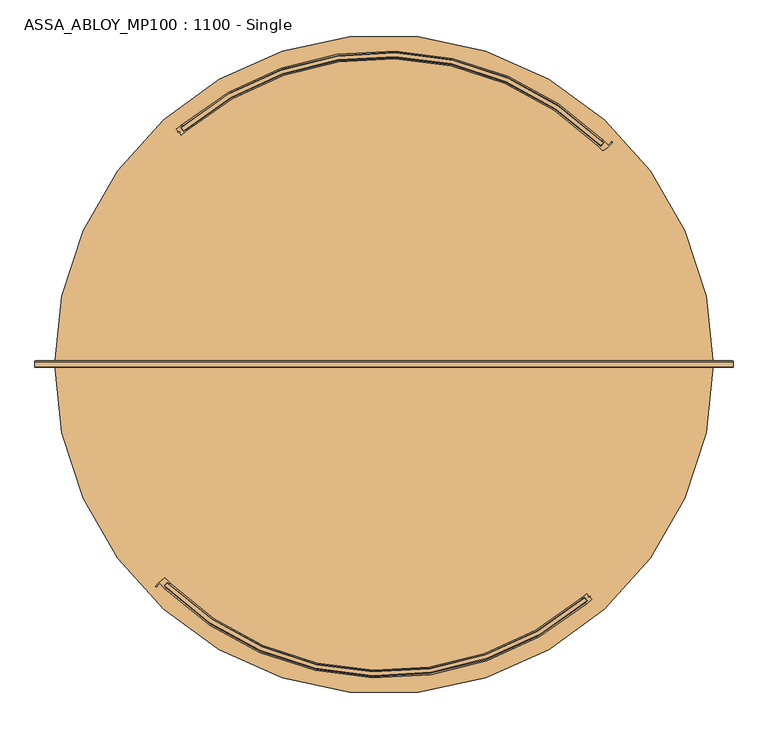
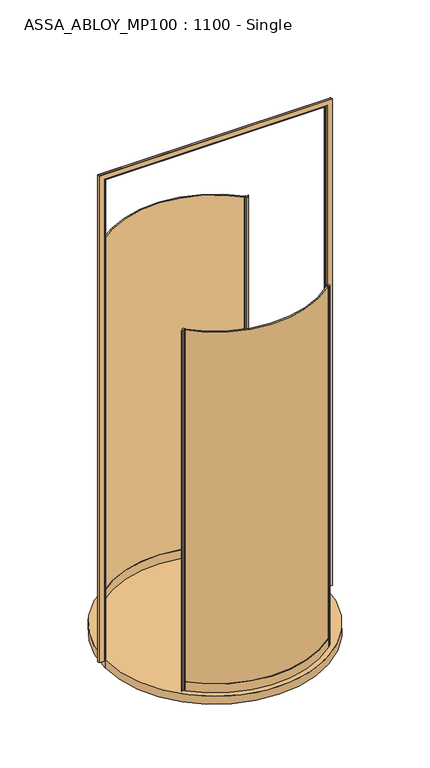
"""IFC4 building model written with IfcOpenShell, lengths in millimetres: door geometry, ASSA_ABLOY_MP100 : 1100 - Single."""

from ifc_helpers import new_model, si_unit, point, frame, frame_2d, origin, origin_with_axes, place, context, project, spatial, polyline, circle_curve, ellipse_curve, trimmed, segment, composite_curve, outline, extrude, source, transform, mapped, element, save
from ifc_brep_helpers import plane_surface, cylinder_surface, revolved_surface, advanced_brep


def assa_abloy_mp100_1100_single_c520676a(model_context):
    return source(origin(), model_context, "Body", "SolidModel", [
        extrude(outline(composite_curve([segment(trimmed(circle_curve(frame_2d((125.0, 0.0)), 811.0), [point((-445.5467938, -576.3656444))], [point((652.7901271, -615.7585417))], True, "CARTESIAN"), True, "CONTINUOUS"), segment(polyline([(652.7901271, -615.7585417), (659.2527059, -623.3899632)]), True, "CONTINUOUS"), segment(trimmed(circle_curve(frame_2d((125.0, 0.0)), 821.0), [point((659.2527059, -623.3899632))], [point((-452.5380783, -583.5158679))], False, "CARTESIAN"), True, "CONTINUOUS"), segment(polyline([(-452.5380783, -583.5158679), (-445.5467938, -576.3656444)]), True, "CONTINUOUS")], self_intersect=False)), origin_with_axes(), (0.0, 0.0, 1.0), 3000.0),
        extrude(outline(composite_curve([segment(polyline([(658.7320011, -603.9587328), (663.1381376, -609.1617774), (661.2303158, -610.7773936), (663.4921786, -613.4483442), (667.9676446, -611.336699), (668.6838658, -612.1824583), (667.3328773, -614.1151911), (671.6597375, -619.2246211)]), True, "CONTINUOUS"), segment(trimmed(circle_curve(frame_2d((125.0, 0.0)), 826.0), [point((671.6597375, -619.2246211))], [point((658.7996152, -630.3443272))], False, "CARTESIAN"), True, "CONTINUOUS"), segment(polyline([(658.7996152, -630.3443272), (656.8608756, -628.054941)]), True, "CONTINUOUS"), segment(trimmed(circle_curve(frame_2d((125.0, 0.0)), 823.0), [point((656.8608756, -628.054941))], [point((662.1835382, -623.5084974))], True, "CARTESIAN"), True, "CONTINUOUS"), segment(polyline([(662.1835382, -623.5084974), (653.1357541, -612.8243021)]), True, "CONTINUOUS"), segment(trimmed(circle_curve(frame_2d((125.0, 0.0)), 809.0), [point((653.1357541, -612.8243021))], [point((647.6665724, -617.4954689))], False, "CARTESIAN"), True, "CONTINUOUS"), segment(polyline([(647.6665724, -617.4954689), (645.874685, -615.0817527)]), True, "CONTINUOUS"), segment(trimmed(circle_curve(frame_2d((125.0, 0.0)), 806.0), [point((645.874685, -615.0817527))], [point((658.7320011, -603.9587328))], True, "CARTESIAN"), True, "CONTINUOUS")], self_intersect=False)), origin_with_axes(), (0.0, 0.0, 1.0), 3000.0),
        advanced_brep(
        [(-445.5480348, -573.5438015, 0.0), (-455.2493679, -583.6397745, 0.0), (-450.2379597, -588.5273597, 0.0), (-452.3165807, -590.6905367, 0.0), (-466.1628236, -576.824374, 0.0), (-473.3277619, -585.5163218, 0.0), (-475.8993118, -584.2003641, 0.0), (-454.0321791, -563.9142679, 0.0), (-450.3501747, -564.4128948, 0.0), (-438.4591077, -576.2693564, 0.0), (-440.5377286, -578.4325335, 0.0), (-445.5480348, -573.5438015, 3000.0), (-440.5377286, -578.4325335, 3000.0), (-438.4591077, -576.2693564, 3000.0), (-450.3501747, -564.4128948, 3000.0), (-454.0321791, -563.9142679, 3000.0), (-475.8993118, -584.2003641, 3000.0), (-473.3415678, -585.5091083, 3000.0), (-466.1628236, -576.824374, 3000.0), (-452.3165807, -590.6905367, 3000.0), (-450.2379597, -588.5273597, 3000.0), (-455.2493679, -583.6397745, 3000.0)],
        [
            (0, 1),
            (1, 2, circle_curve(frame((-123.5480336, -248.5480336, 0.0), z_axis=(0.0, 0.0, 1.0), x_axis=(-0.707106781186553, 0.7071067811865419, 0.0)), 471.5)),
            (2, 3),
            (3, 4, circle_curve(frame((-123.5480336, -248.5480336, 0.0), z_axis=(0.0, 0.0, -1.0), x_axis=(-0.707106781186553, 0.7071067811865419, 0.0)), 474.5)),
            (4, 5, circle_curve(frame((-449.144606, -598.1518865, 0.0), z_axis=(0.0, 0.0, 1.0), x_axis=(-0.707106781186553, 0.7071067811865419, 0.0)), 27.285207)),
            (5, 6, circle_curve(frame((-474.6148555, -584.8438225, 0.0), z_axis=(0.0, 0.0, -1.0), x_axis=(-0.707106781186553, 0.7071067811865419, 0.0)), 1.4366164)),
            (6, 7, circle_curve(frame((-418.451307, -624.1969482, 0.0), z_axis=(0.0, 0.0, -1.0), x_axis=(-0.707106781186553, 0.7071067811865419, 0.0)), 70.0)),
            (7, 8, circle_curve(frame((-452.5072846, -566.4978114, 0.0), z_axis=(0.0, 0.0, -1.0), x_axis=(-0.707106781186553, 0.7071067811865419, 0.0)), 3.0)),
            (8, 9, circle_curve(frame((-123.5480336, -248.5480336, 0.0), z_axis=(0.0, 0.0, 1.0), x_axis=(-0.707106781186553, 0.7071067811865419, 0.0)), 454.5)),
            (9, 10),
            (10, 0, circle_curve(frame((-123.5480336, -248.5480336, 0.0), z_axis=(0.0, 0.0, -1.0), x_axis=(-0.707106781186553, 0.7071067811865419, 0.0)), 457.5)),
            (11, 12, circle_curve(frame((-123.5480336, -248.5480336, 3000.0), z_axis=(0.0, 0.0, 1.0), x_axis=(-0.707106781186553, 0.7071067811865419, 0.0)), 457.5)),
            (12, 13),
            (13, 14, circle_curve(frame((-123.5480336, -248.5480336, 3000.0), z_axis=(0.0, 0.0, -1.0), x_axis=(-0.707106781186553, 0.7071067811865419, 0.0)), 454.5)),
            (14, 15, circle_curve(frame((-452.5072846, -566.4978114, 3000.0), z_axis=(0.0, 0.0, 1.0), x_axis=(-0.707106781186553, 0.7071067811865419, 0.0)), 3.0)),
            (15, 16, circle_curve(frame((-418.451307, -624.1969482, 3000.0), z_axis=(0.0, 0.0, 1.0), x_axis=(-0.707106781186553, 0.7071067811865419, 0.0)), 70.0)),
            (16, 17, circle_curve(frame((-474.6148555, -584.8438225, 3000.0), z_axis=(0.0, 0.0, 1.0), x_axis=(-0.707106781186553, 0.7071067811865419, 0.0)), 1.4366164)),
            (17, 18, circle_curve(frame((-449.144606, -598.1518865, 3000.0), z_axis=(0.0, 0.0, -1.0), x_axis=(-0.707106781186553, 0.7071067811865419, 0.0)), 27.285207)),
            (18, 19, circle_curve(frame((-123.5480336, -248.5480336, 3000.0), z_axis=(0.0, 0.0, 1.0), x_axis=(-0.707106781186553, 0.7071067811865419, 0.0)), 474.5)),
            (19, 20),
            (20, 21, circle_curve(frame((-123.5480336, -248.5480336, 3000.0), z_axis=(0.0, 0.0, -1.0), x_axis=(-0.707106781186553, 0.7071067811865419, 0.0)), 471.5)),
            (21, 11),
            (0, 11),
            (21, 1),
            (20, 2),
            (19, 3),
            (18, 4),
            (8, 14),
            (13, 9),
            (12, 10),
            (17, 5),
            (16, 6),
            (15, 7),
        ],
        [
            plane_surface(frame((-444.9280656, -569.9280656, 0.0), z_axis=(0.0, 0.0, -1.0), x_axis=(-0.707106781186542, -0.7071067811865531, 0.0))),
            plane_surface(frame((-444.9280656, -569.9280656, 3000.0), z_axis=(0.0, 0.0, 1.0), x_axis=(-0.707106781186542, -0.7071067811865531, 0.0))),
            plane_surface(frame((-445.5480348, -573.5438015, 0.0), z_axis=(0.7210590160944299, -0.692873650320845, 0.0), x_axis=(0.0, 0.0, 1.0))),
            revolved_surface(polyline([(-456.94888092945973, 84.85281372945451, 3000.0), (-456.94888092945973, 84.85281372945451, 0.0)]), (-123.5480336, -248.5480336, 0.0), (0.0, 0.0, 1.0)),
            plane_surface(frame((-450.2379597, -588.5273597, 0.0), z_axis=(0.7210590160945624, -0.6928736503207072, 0.0), x_axis=(0.0, 0.0, 1.0))),
            cylinder_surface(frame((-123.5480336, -248.5480336, 0.0), z_axis=(0.0, 0.0, -1.0), x_axis=(-0.707106781186553, 0.7071067811865419, 0.0)), 474.5),
            revolved_surface(polyline([(-444.9280656492883, 72.83199844928328, 3000.0), (-444.9280656492883, 72.83199844928328, 0.0)]), (-123.5480336, -248.5480336, 0.0), (0.0, 0.0, 1.0)),
            plane_surface(frame((-438.4591077, -576.2693564, 0.0), z_axis=(0.7210590160946411, -0.6928736503206254, 0.0), x_axis=(0.0, 0.0, 1.0))),
            cylinder_surface(frame((-123.5480336, -248.5480336, 0.0), z_axis=(0.0, 0.0, -1.0), x_axis=(-0.707106781186553, 0.7071067811865419, 0.0)), 457.5),
            revolved_surface(polyline([(-468.4381608957788, -578.8583316042216, 3000.0), (-468.4381608957788, -578.8583316042216, 0.0)]), (-449.144606, -598.1518865, 0.0), (0.0, 0.0, 1.0)),
            cylinder_surface(frame((-474.6148555, -584.8438225, 0.0), z_axis=(0.0, 0.0, -1.0), x_axis=(-0.707106781186553, 0.7071067811865419, 0.0)), 1.4366164),
            cylinder_surface(frame((-418.451307, -624.1969482, 0.0), z_axis=(0.0, 0.0, -1.0), x_axis=(-0.707106781186553, 0.7071067811865419, 0.0)), 70.0),
            cylinder_surface(frame((-452.5072846, -566.4978114, 0.0), z_axis=(0.0, 0.0, -1.0), x_axis=(-0.707106781186553, 0.7071067811865419, 0.0)), 3.0),
        ],
        [
            (0, [[1, 2, 3, 4, 5, 6, 7, 8, 9, 10, 11]]),
            (1, [[12, 13, 14, 15, 16, 17, 18, 19, 20, 21, 22]]),
            (2, [[-1, 23, -22, 24]]),
            (3, [[-2, -24, -21, 25]]),
            (4, [[-3, -25, -20, 26]]),
            (5, [[-4, -26, -19, 27]]),
            (6, [[-9, 28, -14, 29]]),
            (7, [[-10, -29, -13, 30]]),
            (8, [[-11, -30, -12, -23]]),
            (9, [[-5, -27, -18, 31]]),
            (10, [[-6, -31, -17, 32]]),
            (11, [[-7, -32, -16, 33]]),
            (12, [[-8, -33, -15, -28]]),
        ],
    ),
        advanced_brep(
        [(-438.4869482, -576.2971969, 73.0), (-438.4869482, -576.2971969, 0.0), (-440.5842942, -578.4422237, 0.0), (-440.5842942, -578.4422237, 24.0), (-450.3719086, -588.4523487, 24.0), (-450.3719086, -588.4523487, 0.0), (-452.4692546, -590.5973755, 0.0), (-452.4692546, -590.5973755, 73.0), (-450.3719086, -588.4523487, 73.0), (-450.3719086, -588.4523487, 39.0), (-440.5842942, -578.4422237, 39.0), (-440.5842942, -578.4422237, 73.0), (645.874685, -615.0817527, 73.0), (647.8134245, -617.3711389, 73.0), (647.8134245, -617.3711389, 39.0), (656.8608756, -628.054941, 39.0), (656.8608756, -628.054941, 73.0), (658.7996152, -630.3443272, 73.0), (658.7996152, -630.3443272, 0.0), (656.8608756, -628.054941, 0.0), (656.8608756, -628.054941, 24.0), (647.8134245, -617.3711389, 24.0), (647.8134245, -617.3711389, 0.0), (645.874685, -615.0817527, 0.0)],
        [
            (0, 1),
            (1, 2),
            (2, 3),
            (3, 4),
            (4, 5),
            (5, 6),
            (6, 7),
            (7, 8),
            (8, 9),
            (9, 10),
            (10, 11),
            (11, 0),
            (12, 13),
            (13, 14),
            (14, 15),
            (15, 16),
            (16, 17),
            (17, 18),
            (18, 19),
            (19, 20),
            (20, 21),
            (21, 22),
            (22, 23),
            (23, 12),
            (23, 1, circle_curve(frame((125.0, 0.0, 0.0), z_axis=(0.0, 0.0, -1.0), x_axis=(-0.6991153203487664, -0.715008929212525, 0.0)), 806.0)),
            (0, 12, circle_curve(frame((125.0, 0.0, 73.0), z_axis=(0.0, 0.0, 1.0), x_axis=(-0.6991153203487664, -0.715008929212525, 0.0)), 806.0)),
            (22, 2, circle_curve(frame((125.0, 0.0, 0.0), z_axis=(0.0, 0.0, -1.0), x_axis=(-0.6991153203487664, -0.715008929212525, 0.0)), 809.0)),
            (21, 3, circle_curve(frame((125.0, 0.0, 24.0), z_axis=(0.0, 0.0, -1.0), x_axis=(-0.6991153203487664, -0.715008929212525, 0.0)), 809.0)),
            (20, 4, circle_curve(frame((125.0, 0.0, 24.0), z_axis=(0.0, 0.0, -1.0), x_axis=(-0.6991153203487664, -0.715008929212525, 0.0)), 823.0)),
            (19, 5, circle_curve(frame((125.0, 0.0, 0.0), z_axis=(0.0, 0.0, -1.0), x_axis=(-0.6991153203487664, -0.715008929212525, 0.0)), 823.0)),
            (18, 6, circle_curve(frame((125.0, 0.0, 0.0), z_axis=(0.0, 0.0, -1.0), x_axis=(-0.6991153203487664, -0.715008929212525, 0.0)), 826.0)),
            (17, 7, circle_curve(frame((125.0, 0.0, 73.0), z_axis=(0.0, 0.0, -1.0), x_axis=(-0.6991153203487664, -0.715008929212525, 0.0)), 826.0)),
            (16, 8, circle_curve(frame((125.0, 0.0, 73.0), z_axis=(0.0, 0.0, -1.0), x_axis=(-0.6991153203487664, -0.715008929212525, 0.0)), 823.0)),
            (15, 9, circle_curve(frame((125.0, 0.0, 39.0), z_axis=(0.0, 0.0, -1.0), x_axis=(-0.6991153203487664, -0.715008929212525, 0.0)), 823.0)),
            (14, 10, circle_curve(frame((125.0, 0.0, 39.0), z_axis=(0.0, 0.0, -1.0), x_axis=(-0.6991153203487664, -0.715008929212525, 0.0)), 809.0)),
            (13, 11, circle_curve(frame((125.0, 0.0, 73.0), z_axis=(0.0, 0.0, -1.0), x_axis=(-0.6991153203487664, -0.715008929212525, 0.0)), 809.0)),
        ],
        [
            plane_surface(frame((-438.4869482, -576.2971969, 0.0), z_axis=(-0.7150089292125251, 0.6991153203487666, 0.0), x_axis=(0.0, 0.0, 1.0))),
            plane_surface(frame((645.874685, -615.0817527, 0.0), z_axis=(0.7631287254543886, 0.6462465074461606, 0.0), x_axis=(0.0, 0.0, 1.0))),
            revolved_surface(polyline([(-438.48694820110575, -576.2971969452951, 73.00000000000003), (-438.48694820110575, -576.2971969452951, 0.0)]), (125.0, 0.0, 0.0), (0.0, 0.0, 1.0000000000000002)),
            plane_surface(frame((125.0, 0.0, 0.0), z_axis=(0.0, 0.0, -1.0000000000000002), x_axis=(-0.6991153203487666, -0.7150089292125251, 0.0))),
            cylinder_surface(frame((125.0, 0.0, 0.0), z_axis=(0.0, 0.0, 1.0000000000000002), x_axis=(-0.6991153203487664, -0.715008929212525, 0.0)), 809.0),
            plane_surface(frame((125.0, 0.0, 24.0), z_axis=(0.0, 0.0, -1.0000000000000002), x_axis=(-0.6991153203487666, -0.7150089292125251, 0.0))),
            revolved_surface(polyline([(-450.37190864703473, -588.452348741908, 24.000000000000014), (-450.37190864703473, -588.452348741908, 0.0)]), (125.0, 0.0, 0.0), (0.0, 0.0, 1.0000000000000002)),
            cylinder_surface(frame((125.0, 0.0, 0.0), z_axis=(0.0, 0.0, 1.0000000000000002), x_axis=(-0.6991153203487664, -0.715008929212525, 0.0)), 826.0),
            plane_surface(frame((125.0, 0.0, 73.0), z_axis=(0.0, 0.0, 1.0000000000000002), x_axis=(-0.6991153203487666, -0.7150089292125251, 0.0))),
            revolved_surface(polyline([(-450.37190864703473, -588.452348741908, 73.00000000000003), (-450.37190864703473, -588.452348741908, 39.000000000000014)]), (125.0, 0.0, 0.0), (0.0, 0.0, 1.0000000000000002)),
            plane_surface(frame((125.0, 0.0, 39.0), z_axis=(0.0, 0.0, 1.0000000000000002), x_axis=(-0.6991153203487666, -0.7150089292125251, 0.0))),
        ],
        [
            (0, [[1, 2, 3, 4, 5, 6, 7, 8, 9, 10, 11, 12]]),
            (1, [[13, 14, 15, 16, 17, 18, 19, 20, 21, 22, 23, 24]]),
            (2, [[25, -1, 26, -24]]),
            (3, [[27, -2, -25, -23]]),
            (4, [[28, -3, -27, -22]]),
            (5, [[29, -4, -28, -21]]),
            (6, [[30, -5, -29, -20]]),
            (3, [[31, -6, -30, -19]]),
            (7, [[32, -7, -31, -18]]),
            (8, [[33, -8, -32, -17]]),
            (9, [[34, -9, -33, -16]]),
            (10, [[35, -10, -34, -15]]),
            (4, [[36, -11, -35, -14]]),
            (8, [[-26, -12, -36, -13]]),
        ],
    ),
        extrude(outline(composite_curve([segment(trimmed(circle_curve(frame_2d((125.0, 0.0)), 811.0), [point((695.5467938, 576.3656444))], [point((-402.7901271, 615.7585417))], True, "CARTESIAN"), True, "CONTINUOUS"), segment(polyline([(-402.7901271, 615.7585417), (-409.2527059, 623.3899632)]), True, "CONTINUOUS"), segment(trimmed(circle_curve(frame_2d((125.0, 0.0)), 821.0), [point((-409.2527059, 623.3899632))], [point((702.5380783, 583.5158679))], False, "CARTESIAN"), True, "CONTINUOUS"), segment(polyline([(702.5380783, 583.5158679), (695.5467938, 576.3656444)]), True, "CONTINUOUS")], self_intersect=False)), origin_with_axes(), (0.0, 0.0, 1.0), 3000.0),
        extrude(outline(composite_curve([segment(polyline([(-408.7320011, 603.9587328), (-413.1381376, 609.1617774), (-411.2303158, 610.7773936), (-413.4921786, 613.4483442), (-417.9676446, 611.336699), (-418.6838658, 612.1824583), (-417.3328773, 614.1151911), (-421.6597375, 619.2246211)]), True, "CONTINUOUS"), segment(trimmed(circle_curve(frame_2d((125.0, 0.0)), 826.0), [point((-421.6597375, 619.2246211))], [point((-408.7996152, 630.3443272))], False, "CARTESIAN"), True, "CONTINUOUS"), segment(polyline([(-408.7996152, 630.3443272), (-406.8608756, 628.054941)]), True, "CONTINUOUS"), segment(trimmed(circle_curve(frame_2d((125.0, 0.0)), 823.0), [point((-406.8608756, 628.054941))], [point((-412.1835382, 623.5084974))], True, "CARTESIAN"), True, "CONTINUOUS"), segment(polyline([(-412.1835382, 623.5084974), (-403.1357541, 612.8243021)]), True, "CONTINUOUS"), segment(trimmed(circle_curve(frame_2d((125.0, 0.0)), 809.0), [point((-403.1357541, 612.8243021))], [point((-397.6665724, 617.4954689))], False, "CARTESIAN"), True, "CONTINUOUS"), segment(polyline([(-397.6665724, 617.4954689), (-395.874685, 615.0817527)]), True, "CONTINUOUS"), segment(trimmed(circle_curve(frame_2d((125.0, 0.0)), 806.0), [point((-395.874685, 615.0817527))], [point((-408.7320011, 603.9587328))], True, "CARTESIAN"), True, "CONTINUOUS")], self_intersect=False)), origin_with_axes(), (0.0, 0.0, 1.0), 3000.0),
        advanced_brep(
        [(695.5480348, 573.5438015, 0.0), (705.2493679, 583.6397745, 0.0), (700.2379597, 588.5273597, 0.0), (702.3165807, 590.6905367, 0.0), (716.1628236, 576.824374, 0.0), (723.3277619, 585.5163218, 0.0), (725.8993118, 584.2003641, 0.0), (704.0321791, 563.9142679, 0.0), (700.3501747, 564.4128948, 0.0), (688.4591077, 576.2693564, 0.0), (690.5377286, 578.4325335, 0.0), (695.5480348, 573.5438015, 3000.0), (690.5377286, 578.4325335, 3000.0), (688.4591077, 576.2693564, 3000.0), (700.3501747, 564.4128948, 3000.0), (704.0321791, 563.9142679, 3000.0), (725.8993118, 584.2003641, 3000.0), (723.3415678, 585.5091083, 3000.0), (716.1628236, 576.824374, 3000.0), (702.3165807, 590.6905367, 3000.0), (700.2379597, 588.5273597, 3000.0), (705.2493679, 583.6397745, 3000.0)],
        [
            (0, 1),
            (1, 2, circle_curve(frame((373.5480336, 248.5480336, 0.0), z_axis=(0.0, 0.0, 1.0), x_axis=(0.7071067811865525, -0.7071067811865417, 0.0)), 471.5)),
            (2, 3),
            (3, 4, circle_curve(frame((373.5480336, 248.5480336, 0.0), z_axis=(0.0, 0.0, -1.0), x_axis=(0.7071067811865525, -0.7071067811865417, 0.0)), 474.5)),
            (4, 5, circle_curve(frame((699.144606, 598.1518865, 0.0), z_axis=(0.0, 0.0, 1.0), x_axis=(0.7071067811865525, -0.7071067811865417, 0.0)), 27.285207)),
            (5, 6, circle_curve(frame((724.6148555, 584.8438225, 0.0), z_axis=(0.0, 0.0, -1.0), x_axis=(0.7071067811865525, -0.7071067811865417, 0.0)), 1.4366164)),
            (6, 7, circle_curve(frame((668.451307, 624.1969482, 0.0), z_axis=(0.0, 0.0, -1.0), x_axis=(0.7071067811865525, -0.7071067811865417, 0.0)), 70.0)),
            (7, 8, circle_curve(frame((702.5072846, 566.4978114, 0.0), z_axis=(0.0, 0.0, -1.0), x_axis=(0.7071067811865525, -0.7071067811865417, 0.0)), 3.0)),
            (8, 9, circle_curve(frame((373.5480336, 248.5480336, 0.0), z_axis=(0.0, 0.0, 1.0), x_axis=(0.7071067811865525, -0.7071067811865417, 0.0)), 454.5)),
            (9, 10),
            (10, 0, circle_curve(frame((373.5480336, 248.5480336, 0.0), z_axis=(0.0, 0.0, -1.0), x_axis=(0.7071067811865525, -0.7071067811865417, 0.0)), 457.5)),
            (11, 12, circle_curve(frame((373.5480336, 248.5480336, 3000.0), z_axis=(0.0, 0.0, 1.0), x_axis=(0.7071067811865525, -0.7071067811865417, 0.0)), 457.5)),
            (12, 13),
            (13, 14, circle_curve(frame((373.5480336, 248.5480336, 3000.0), z_axis=(0.0, 0.0, -1.0), x_axis=(0.7071067811865525, -0.7071067811865417, 0.0)), 454.5)),
            (14, 15, circle_curve(frame((702.5072846, 566.4978114, 3000.0), z_axis=(0.0, 0.0, 1.0), x_axis=(0.7071067811865525, -0.7071067811865417, 0.0)), 3.0)),
            (15, 16, circle_curve(frame((668.451307, 624.1969482, 3000.0), z_axis=(0.0, 0.0, 1.0), x_axis=(0.7071067811865525, -0.7071067811865417, 0.0)), 70.0)),
            (16, 17, circle_curve(frame((724.6148555, 584.8438225, 3000.0), z_axis=(0.0, 0.0, 1.0), x_axis=(0.7071067811865525, -0.7071067811865417, 0.0)), 1.4366164)),
            (17, 18, circle_curve(frame((699.144606, 598.1518865, 3000.0), z_axis=(0.0, 0.0, -1.0), x_axis=(0.7071067811865525, -0.7071067811865417, 0.0)), 27.285207)),
            (18, 19, circle_curve(frame((373.5480336, 248.5480336, 3000.0), z_axis=(0.0, 0.0, 1.0), x_axis=(0.7071067811865525, -0.7071067811865417, 0.0)), 474.5)),
            (19, 20),
            (20, 21, circle_curve(frame((373.5480336, 248.5480336, 3000.0), z_axis=(0.0, 0.0, -1.0), x_axis=(0.7071067811865525, -0.7071067811865417, 0.0)), 471.5)),
            (21, 11),
            (0, 11),
            (21, 1),
            (20, 2),
            (19, 3),
            (18, 4),
            (8, 14),
            (13, 9),
            (12, 10),
            (17, 5),
            (16, 6),
            (15, 7),
        ],
        [
            plane_surface(frame((694.9280656, 569.9280656, 0.0), z_axis=(0.0, 0.0, -1.0), x_axis=(0.7071067811865421, 0.7071067811865529, 0.0))),
            plane_surface(frame((694.9280656, 569.9280656, 3000.0), z_axis=(0.0, 0.0, 1.0), x_axis=(0.7071067811865421, 0.7071067811865529, 0.0))),
            plane_surface(frame((695.5480348, 573.5438015, 0.0), z_axis=(-0.7210590160944298, 0.6928736503208452, 0.0), x_axis=(0.0, 0.0, 1.0))),
            revolved_surface(polyline([(706.9488809294595, -84.8528137294544, 3000.0), (706.9488809294595, -84.8528137294544, 0.0)]), (373.5480336, 248.5480336, 0.0), (0.0, 0.0, 1.0)),
            plane_surface(frame((700.2379597, 588.5273597, 0.0), z_axis=(-0.7210590160945622, 0.6928736503207075, 0.0), x_axis=(0.0, 0.0, 1.0))),
            cylinder_surface(frame((373.5480336, 248.5480336, 0.0), z_axis=(0.0, 0.0, -1.0), x_axis=(0.7071067811865525, -0.7071067811865417, 0.0)), 474.5),
            revolved_surface(polyline([(694.9280656492881, -72.83199844928322, 3000.0), (694.9280656492881, -72.83199844928322, 0.0)]), (373.5480336, 248.5480336, 0.0), (0.0, 0.0, 1.0)),
            plane_surface(frame((688.4591077, 576.2693564, 0.0), z_axis=(-0.7210590160946408, 0.6928736503206255, 0.0), x_axis=(0.0, 0.0, 1.0))),
            cylinder_surface(frame((373.5480336, 248.5480336, 0.0), z_axis=(0.0, 0.0, -1.0), x_axis=(0.7071067811865525, -0.7071067811865417, 0.0)), 457.5),
            revolved_surface(polyline([(718.4381608957788, 578.8583316042216, 3000.0), (718.4381608957788, 578.8583316042216, 0.0)]), (699.144606, 598.1518865, 0.0), (0.0, 0.0, 1.0)),
            cylinder_surface(frame((724.6148555, 584.8438225, 0.0), z_axis=(0.0, 0.0, -1.0), x_axis=(0.7071067811865525, -0.7071067811865417, 0.0)), 1.4366164),
            cylinder_surface(frame((668.451307, 624.1969482, 0.0), z_axis=(0.0, 0.0, -1.0), x_axis=(0.7071067811865525, -0.7071067811865417, 0.0)), 70.0),
            cylinder_surface(frame((702.5072846, 566.4978114, 0.0), z_axis=(0.0, 0.0, -1.0), x_axis=(0.7071067811865525, -0.7071067811865417, 0.0)), 3.0),
        ],
        [
            (0, [[1, 2, 3, 4, 5, 6, 7, 8, 9, 10, 11]]),
            (1, [[12, 13, 14, 15, 16, 17, 18, 19, 20, 21, 22]]),
            (2, [[-1, 23, -22, 24]]),
            (3, [[-2, -24, -21, 25]]),
            (4, [[-3, -25, -20, 26]]),
            (5, [[-4, -26, -19, 27]]),
            (6, [[-9, 28, -14, 29]]),
            (7, [[-10, -29, -13, 30]]),
            (8, [[-11, -30, -12, -23]]),
            (9, [[-5, -27, -18, 31]]),
            (10, [[-6, -31, -17, 32]]),
            (11, [[-7, -32, -16, 33]]),
            (12, [[-8, -33, -15, -28]]),
        ],
    ),
        advanced_brep(
        [(688.4869482, 576.2971969, 73.0), (688.4869482, 576.2971969, 0.0), (690.5842942, 578.4422237, 0.0), (690.5842942, 578.4422237, 24.0), (700.3719086, 588.4523487, 24.0), (700.3719086, 588.4523487, 0.0), (702.4692546, 590.5973755, 0.0), (702.4692546, 590.5973755, 73.0), (700.3719086, 588.4523487, 73.0), (700.3719086, 588.4523487, 39.0), (690.5842942, 578.4422237, 39.0), (690.5842942, 578.4422237, 73.0), (-395.874685, 615.0817527, 73.0), (-397.8134245, 617.3711389, 73.0), (-397.8134245, 617.3711389, 39.0), (-406.8608756, 628.054941, 39.0), (-406.8608756, 628.054941, 73.0), (-408.7996152, 630.3443272, 73.0), (-408.7996152, 630.3443272, 0.0), (-406.8608756, 628.054941, 0.0), (-406.8608756, 628.054941, 24.0), (-397.8134245, 617.3711389, 24.0), (-397.8134245, 617.3711389, 0.0), (-395.874685, 615.0817527, 0.0)],
        [
            (0, 1),
            (1, 2),
            (2, 3),
            (3, 4),
            (4, 5),
            (5, 6),
            (6, 7),
            (7, 8),
            (8, 9),
            (9, 10),
            (10, 11),
            (11, 0),
            (12, 13),
            (13, 14),
            (14, 15),
            (15, 16),
            (16, 17),
            (17, 18),
            (18, 19),
            (19, 20),
            (20, 21),
            (21, 22),
            (22, 23),
            (23, 12),
            (23, 1, circle_curve(frame((125.0, 0.0, 0.0), z_axis=(0.0, 0.0, -1.0), x_axis=(0.6991153203487662, 0.7150089292125245, 0.0)), 806.0)),
            (0, 12, circle_curve(frame((125.0, 0.0, 73.0), z_axis=(0.0, 0.0, 1.0), x_axis=(0.6991153203487662, 0.7150089292125245, 0.0)), 806.0)),
            (22, 2, circle_curve(frame((125.0, 0.0, 0.0), z_axis=(0.0, 0.0, -1.0), x_axis=(0.6991153203487662, 0.7150089292125245, 0.0)), 809.0)),
            (21, 3, circle_curve(frame((125.0, 0.0, 24.0), z_axis=(0.0, 0.0, -1.0), x_axis=(0.6991153203487662, 0.7150089292125245, 0.0)), 809.0)),
            (20, 4, circle_curve(frame((125.0, 0.0, 24.0), z_axis=(0.0, 0.0, -1.0), x_axis=(0.6991153203487662, 0.7150089292125245, 0.0)), 823.0)),
            (19, 5, circle_curve(frame((125.0, 0.0, 0.0), z_axis=(0.0, 0.0, -1.0), x_axis=(0.6991153203487662, 0.7150089292125245, 0.0)), 823.0)),
            (18, 6, circle_curve(frame((125.0, 0.0, 0.0), z_axis=(0.0, 0.0, -1.0), x_axis=(0.6991153203487662, 0.7150089292125245, 0.0)), 826.0)),
            (17, 7, circle_curve(frame((125.0, 0.0, 73.0), z_axis=(0.0, 0.0, -1.0), x_axis=(0.6991153203487662, 0.7150089292125245, 0.0)), 826.0)),
            (16, 8, circle_curve(frame((125.0, 0.0, 73.0), z_axis=(0.0, 0.0, -1.0), x_axis=(0.6991153203487662, 0.7150089292125245, 0.0)), 823.0)),
            (15, 9, circle_curve(frame((125.0, 0.0, 39.0), z_axis=(0.0, 0.0, -1.0), x_axis=(0.6991153203487662, 0.7150089292125245, 0.0)), 823.0)),
            (14, 10, circle_curve(frame((125.0, 0.0, 39.0), z_axis=(0.0, 0.0, -1.0), x_axis=(0.6991153203487662, 0.7150089292125245, 0.0)), 809.0)),
            (13, 11, circle_curve(frame((125.0, 0.0, 73.0), z_axis=(0.0, 0.0, -1.0), x_axis=(0.6991153203487662, 0.7150089292125245, 0.0)), 809.0)),
        ],
        [
            plane_surface(frame((688.4869482, 576.2971969, 0.0), z_axis=(0.7150089292125249, -0.6991153203487666, 0.0), x_axis=(0.0, 0.0, 1.0))),
            plane_surface(frame((-395.874685, 615.0817527, 0.0), z_axis=(-0.7631287254543887, -0.6462465074461604, 0.0), x_axis=(0.0, 0.0, 1.0))),
            revolved_surface(polyline([(688.4869482011055, 576.2971969452947, 73.00000000000003), (688.4869482011055, 576.2971969452947, 0.0)]), (125.0, 0.0, 0.0), (0.0, 0.0, 1.0000000000000002)),
            plane_surface(frame((125.0, 0.0, 0.0), z_axis=(0.0, 0.0, -1.0), x_axis=(0.6991153203487666, 0.7150089292125249, 0.0))),
            cylinder_surface(frame((125.0, 0.0, 0.0), z_axis=(0.0, 0.0, 1.0000000000000002), x_axis=(0.6991153203487662, 0.7150089292125245, 0.0)), 809.0),
            plane_surface(frame((125.0, 0.0, 24.0), z_axis=(0.0, 0.0, -1.0), x_axis=(0.6991153203487666, 0.7150089292125249, 0.0))),
            revolved_surface(polyline([(700.3719086470346, 588.4523487419076, 24.000000000000014), (700.3719086470346, 588.4523487419076, 0.0)]), (125.0, 0.0, 0.0), (0.0, 0.0, 1.0000000000000002)),
            cylinder_surface(frame((125.0, 0.0, 0.0), z_axis=(0.0, 0.0, 1.0000000000000002), x_axis=(0.6991153203487662, 0.7150089292125245, 0.0)), 826.0),
            plane_surface(frame((125.0, 0.0, 73.0), z_axis=(0.0, 0.0, 1.0), x_axis=(0.6991153203487666, 0.7150089292125249, 0.0))),
            revolved_surface(polyline([(700.3719086470346, 588.4523487419076, 73.00000000000003), (700.3719086470346, 588.4523487419076, 39.000000000000014)]), (125.0, 0.0, 0.0), (0.0, 0.0, 1.0000000000000002)),
            plane_surface(frame((125.0, 0.0, 39.0), z_axis=(0.0, 0.0, 1.0), x_axis=(0.6991153203487666, 0.7150089292125249, 0.0))),
        ],
        [
            (0, [[1, 2, 3, 4, 5, 6, 7, 8, 9, 10, 11, 12]]),
            (1, [[13, 14, 15, 16, 17, 18, 19, 20, 21, 22, 23, 24]]),
            (2, [[25, -1, 26, -24]]),
            (3, [[27, -2, -25, -23]]),
            (4, [[28, -3, -27, -22]]),
            (5, [[29, -4, -28, -21]]),
            (6, [[30, -5, -29, -20]]),
            (3, [[31, -6, -30, -19]]),
            (7, [[32, -7, -31, -18]]),
            (8, [[33, -8, -32, -17]]),
            (9, [[34, -9, -33, -16]]),
            (10, [[35, -10, -34, -15]]),
            (4, [[36, -11, -35, -14]]),
            (8, [[-26, -12, -36, -13]]),
        ],
    ),
        extrude(outline(composite_curve([segment(trimmed(circle_curve(frame_2d((125.0, 0.0)), 867.5), [point((-742.5, 0.0))], [point((992.5, 0.0))], False, "CARTESIAN"), True, "CONTINUOUS"), segment(trimmed(circle_curve(frame_2d((125.0, 0.0)), 867.5), [point((992.5, 0.0))], [point((-742.5, 0.0))], False, "CARTESIAN"), True, "CONTINUOUS")], self_intersect=False)), frame((0.0, 0.0, -65.0), z_axis=(0.0, 0.0, 1.0), x_axis=(1.0, 0.0, 0.0)), (0.0, 0.0, 1.0), 65.0),
        advanced_brep(
        [(993.4, 6.0, 0.0), (995.6980762, 6.0, 0.0), (996.5980762, 5.1, 0.0), (996.5980762, -5.1, 0.0), (995.6980762, -6.0, 0.0), (993.4, -6.0, 0.0), (992.5, -5.1, 0.0), (992.5, 5.1, 0.0), (-743.4, 6.0, 0.0), (-742.5, 5.1, 0.0), (-742.5, -5.1, 0.0), (-743.4, -6.0, 0.0), (-745.6980762, -6.0, 0.0), (-746.5980762, -5.1, 0.0), (-746.5980762, 5.1, 0.0), (-745.6980762, 6.0, 0.0), (993.4, 6.0, 4001.8), (-743.4, 6.0, 4001.8), (-745.6980762, 6.0, 4004.0980762), (995.6980762, 6.0, 4004.0980762), (996.5980762, 5.1, 4004.9980762), (996.5980762, -5.1, 4004.9980762), (995.6980762, -6.0, 4004.0980762), (-745.6980762, -6.0, 4004.0980762), (-743.4, -6.0, 4001.8), (993.4, -6.0, 4001.8), (992.5, -5.1, 4000.9), (992.5, 5.1, 4000.9), (-746.5980762, 5.1, 4004.9980762), (-746.5980762, -5.1, 4004.9980762), (-742.5, -5.1, 4000.9), (-742.5, 5.1, 4000.9)],
        [
            (0, 1),
            (1, 2, circle_curve(frame((995.6980762, 5.1, 0.0), z_axis=(0.0, 0.0, -1.0), x_axis=(-1.0, 0.0, 0.0)), 0.9)),
            (2, 3),
            (3, 4, circle_curve(frame((995.6980762, -5.1, 0.0), z_axis=(0.0, 0.0, -1.0), x_axis=(-1.0, 0.0, 0.0)), 0.9)),
            (4, 5),
            (5, 6, circle_curve(frame((993.4, -5.1, 0.0), z_axis=(0.0, 0.0, -1.0), x_axis=(-1.0, 0.0, 0.0)), 0.9)),
            (6, 7),
            (7, 0, circle_curve(frame((993.4, 5.1, 0.0), z_axis=(0.0, 0.0, -1.0), x_axis=(-1.0, 0.0, 0.0)), 0.9)),
            (8, 9, circle_curve(frame((-743.4, 5.1, 0.0), z_axis=(0.0, 0.0, -1.0), x_axis=(1.0, 0.0, 0.0)), 0.9)),
            (9, 10),
            (10, 11, circle_curve(frame((-743.4, -5.1, 0.0), z_axis=(0.0, 0.0, -1.0), x_axis=(1.0, 0.0, 0.0)), 0.9)),
            (11, 12),
            (12, 13, circle_curve(frame((-745.6980762, -5.1, 0.0), z_axis=(0.0, 0.0, -1.0), x_axis=(1.0, 0.0, 0.0)), 0.9)),
            (13, 14),
            (14, 15, circle_curve(frame((-745.6980762, 5.1, 0.0), z_axis=(0.0, 0.0, -1.0), x_axis=(1.0, 0.0, 0.0)), 0.9)),
            (15, 8),
            (0, 16),
            (16, 17),
            (17, 8),
            (15, 18),
            (18, 19),
            (19, 1),
            (19, 20, ellipse_curve(frame((995.6980762, 5.1, 4004.0980762), z_axis=(0.7071067811865475, 0.0, -0.7071067811865475), x_axis=(-0.7071067811865474, 0.0, -0.7071067811865476)), 1.2727922, 0.9)),
            (20, 2),
            (20, 21),
            (21, 3),
            (21, 22, ellipse_curve(frame((995.6980762, -5.1, 4004.0980762), z_axis=(0.7071067811865475, 0.0, -0.7071067811865475), x_axis=(-0.7071067811865474, 0.0, -0.7071067811865476)), 1.2727922, 0.9)),
            (22, 4),
            (22, 23),
            (23, 12),
            (11, 24),
            (24, 25),
            (25, 5),
            (25, 26, ellipse_curve(frame((993.4, -5.1, 4001.8), z_axis=(0.7071067811865475, 0.0, -0.7071067811865475), x_axis=(-0.7071067811865474, 0.0, -0.7071067811865476)), 1.2727922, 0.9)),
            (26, 6),
            (26, 27),
            (27, 7),
            (27, 16, ellipse_curve(frame((993.4, 5.1, 4001.8), z_axis=(0.7071067811865475, 0.0, -0.7071067811865475), x_axis=(-0.7071067811865474, 0.0, -0.7071067811865476)), 1.2727922, 0.9)),
            (18, 28, ellipse_curve(frame((-745.6980762, 5.1, 4004.0980762), z_axis=(0.7071067811865475, 0.0, 0.7071067811865475), x_axis=(0.7071067811865476, 0.0, -0.7071067811865474)), 1.2727922, 0.9)),
            (28, 20),
            (28, 29),
            (29, 21),
            (29, 23, ellipse_curve(frame((-745.6980762, -5.1, 4004.0980762), z_axis=(0.7071067811865475, 0.0, 0.7071067811865475), x_axis=(0.7071067811865476, 0.0, -0.7071067811865474)), 1.2727922, 0.9)),
            (24, 30, ellipse_curve(frame((-743.4, -5.1, 4001.8), z_axis=(0.7071067811865475, 0.0, 0.7071067811865475), x_axis=(0.7071067811865476, 0.0, -0.7071067811865474)), 1.2727922, 0.9)),
            (30, 26),
            (30, 31),
            (31, 27),
            (31, 17, ellipse_curve(frame((-743.4, 5.1, 4001.8), z_axis=(0.7071067811865475, 0.0, 0.7071067811865475), x_axis=(0.7071067811865476, 0.0, -0.7071067811865474)), 1.2727922, 0.9)),
            (14, 28),
            (13, 29),
            (10, 30),
            (9, 31),
        ],
        [
            plane_surface(frame((996.6, 0.0, 0.0), z_axis=(0.0, 0.0, -1.0), x_axis=(0.0, -1.0, 0.0))),
            plane_surface(frame((-746.6, 0.0, 0.0), z_axis=(0.0, 0.0, -1.0), x_axis=(0.0, -1.0, 0.0))),
            plane_surface(frame((993.4, 6.0, 0.0), z_axis=(0.0, 1.0, 0.0), x_axis=(0.0, 0.0, 1.0))),
            cylinder_surface(frame((995.6980762, 5.1, 0.0), z_axis=(0.0, 0.0, -1.0), x_axis=(-1.0, 0.0, 0.0)), 0.9),
            plane_surface(frame((996.5980762, 5.1, 0.0), z_axis=(1.0, 0.0, 0.0), x_axis=(0.0, 0.0, 1.0))),
            cylinder_surface(frame((995.6980762, -5.1, 0.0), z_axis=(0.0, 0.0, -1.0), x_axis=(-1.0, 0.0, 0.0)), 0.9),
            plane_surface(frame((995.6980762, -6.0, 0.0), z_axis=(0.0, -1.0, 0.0), x_axis=(0.0, 0.0, 1.0))),
            cylinder_surface(frame((993.4, -5.1, 0.0), z_axis=(0.0, 0.0, -1.0), x_axis=(-1.0, 0.0, 0.0)), 0.9),
            plane_surface(frame((992.5, -5.1, 0.0), z_axis=(-1.0, 0.0, 0.0), x_axis=(0.0, 0.0, 1.0))),
            cylinder_surface(frame((993.4, 5.1, 0.0), z_axis=(0.0, 0.0, -1.0), x_axis=(-1.0, 0.0, 0.0)), 0.9),
            cylinder_surface(frame((996.6, 5.1, 4004.0980762), z_axis=(1.0, 0.0, 0.0), x_axis=(0.0, 0.0, -1.0)), 0.9),
            plane_surface(frame((996.5980762, 5.1, 4004.9980762), z_axis=(0.0, 0.0, 1.0), x_axis=(-1.0, 0.0, 0.0))),
            cylinder_surface(frame((996.6, -5.1, 4004.0980762), z_axis=(1.0, 0.0, 0.0), x_axis=(0.0, 0.0, -1.0)), 0.9),
            cylinder_surface(frame((996.6, -5.1, 4001.8), z_axis=(1.0, 0.0, 0.0), x_axis=(0.0, 0.0, -1.0)), 0.9),
            plane_surface(frame((992.5, -5.1, 4000.9), z_axis=(0.0, 0.0, -1.0), x_axis=(-1.0, 0.0, 0.0))),
            cylinder_surface(frame((996.6, 5.1, 4001.8), z_axis=(1.0, 0.0, 0.0), x_axis=(0.0, 0.0, -1.0)), 0.9),
            cylinder_surface(frame((-745.6980762, 5.1, 4005.0), z_axis=(0.0, 0.0, 1.0), x_axis=(1.0, 0.0, 0.0)), 0.9),
            plane_surface(frame((-746.5980762, 5.1, 4004.9980762), z_axis=(-1.0, 0.0, 0.0), x_axis=(0.0, 0.0, -1.0))),
            cylinder_surface(frame((-745.6980762, -5.1, 4005.0), z_axis=(0.0, 0.0, 1.0), x_axis=(1.0, 0.0, 0.0)), 0.9),
            cylinder_surface(frame((-743.4, -5.1, 4005.0), z_axis=(0.0, 0.0, 1.0), x_axis=(1.0, 0.0, 0.0)), 0.9),
            plane_surface(frame((-742.5, -5.1, 4000.9), z_axis=(1.0, 0.0, 0.0), x_axis=(0.0, 0.0, -1.0))),
            cylinder_surface(frame((-743.4, 5.1, 4005.0), z_axis=(0.0, 0.0, 1.0), x_axis=(1.0, 0.0, 0.0)), 0.9),
        ],
        [
            (0, [[1, 2, 3, 4, 5, 6, 7, 8]]),
            (1, [[9, 10, 11, 12, 13, 14, 15, 16]]),
            (2, [[-1, 17, 18, 19, -16, 20, 21, 22]]),
            (3, [[-2, -22, 23, 24]]),
            (4, [[-3, -24, 25, 26]]),
            (5, [[-4, -26, 27, 28]]),
            (6, [[-5, -28, 29, 30, -12, 31, 32, 33]]),
            (7, [[-6, -33, 34, 35]]),
            (8, [[-7, -35, 36, 37]]),
            (9, [[-8, -37, 38, -17]]),
            (10, [[-23, -21, 39, 40]]),
            (11, [[-25, -40, 41, 42]]),
            (12, [[-27, -42, 43, -29]]),
            (13, [[-34, -32, 44, 45]]),
            (14, [[-36, -45, 46, 47]]),
            (15, [[-38, -47, 48, -18]]),
            (16, [[-39, -20, -15, 49]]),
            (17, [[-41, -49, -14, 50]]),
            (18, [[-43, -50, -13, -30]]),
            (19, [[-44, -31, -11, 51]]),
            (20, [[-46, -51, -10, 52]]),
            (21, [[-48, -52, -9, -19]]),
        ],
    ),
        advanced_brep(
        [(1043.9209519, 8.5, 0.0), (1044.5980762, 7.0, 0.0), (1044.5980762, -7.0, 0.0), (1043.9209519, -8.5, 0.0), (1004.5980762, -8.5, 0.0), (1004.5980762, 8.5, 0.0), (-793.9209519, 8.5, 0.0), (-754.5980762, 8.5, 0.0), (-754.5980762, -8.5, 0.0), (-793.9209519, -8.5, 0.0), (-794.5980762, -7.0, 0.0), (-794.5980762, 7.0, 0.0), (1043.9209519, 8.5, 4052.3209519), (1044.5980762, 7.0, 4052.9980762), (1044.5980762, -7.0, 4052.9980762), (1043.9209519, -8.5, 4052.3209519), (-793.9209519, -8.5, 4052.3209519), (-754.5980762, -8.5, 4012.9980762), (1004.5980762, -8.5, 4012.9980762), (1004.5980762, 8.5, 4012.9980762), (-754.5980762, 8.5, 4012.9980762), (-793.9209519, 8.5, 4052.3209519), (-794.5980762, 7.0, 4052.9980762), (-794.5980762, -7.0, 4052.9980762)],
        [
            (0, 1, circle_curve(frame((1042.5980762, 7.0, 0.0), z_axis=(0.0, 0.0, -1.0), x_axis=(-1.0, 0.0, 0.0)), 2.0)),
            (1, 2),
            (2, 3, circle_curve(frame((1042.5980762, -7.0, 0.0), z_axis=(0.0, 0.0, -1.0), x_axis=(-1.0, 0.0, 0.0)), 2.0)),
            (3, 4),
            (4, 5),
            (5, 0),
            (6, 7),
            (7, 8),
            (8, 9),
            (9, 10, circle_curve(frame((-792.5980762, -7.0, 0.0), z_axis=(0.0, 0.0, -1.0), x_axis=(1.0, 0.0, 0.0)), 2.0)),
            (10, 11),
            (11, 6, circle_curve(frame((-792.5980762, 7.0, 0.0), z_axis=(0.0, 0.0, -1.0), x_axis=(1.0, 0.0, 0.0)), 2.0)),
            (0, 12),
            (12, 13, ellipse_curve(frame((1042.5980762, 7.0, 4050.9980762), z_axis=(0.7071067811865475, 0.0, -0.7071067811865475), x_axis=(-0.7071067811865474, 0.0, -0.7071067811865476)), 2.8284271, 2.0)),
            (13, 1),
            (13, 14),
            (14, 2),
            (14, 15, ellipse_curve(frame((1042.5980762, -7.0, 4050.9980762), z_axis=(0.7071067811865475, 0.0, -0.7071067811865475), x_axis=(-0.7071067811865474, 0.0, -0.7071067811865476)), 2.8284271, 2.0)),
            (15, 3),
            (15, 16),
            (16, 9),
            (8, 17),
            (17, 18),
            (18, 4),
            (18, 19),
            (19, 5),
            (19, 20),
            (20, 7),
            (6, 21),
            (21, 12),
            (21, 22, ellipse_curve(frame((-792.5980762, 7.0, 4050.9980762), z_axis=(0.7071067811865475, 0.0, 0.7071067811865475), x_axis=(0.7071067811865476, 0.0, -0.7071067811865474)), 2.8284271, 2.0)),
            (22, 13),
            (22, 23),
            (23, 14),
            (23, 16, ellipse_curve(frame((-792.5980762, -7.0, 4050.9980762), z_axis=(0.7071067811865475, 0.0, 0.7071067811865475), x_axis=(0.7071067811865476, 0.0, -0.7071067811865474)), 2.8284271, 2.0)),
            (17, 20),
            (11, 22),
            (10, 23),
        ],
        [
            plane_surface(frame((996.6, 0.0, 0.0), z_axis=(0.0, 0.0, -1.0), x_axis=(0.0, -1.0, 0.0))),
            plane_surface(frame((-746.6, 0.0, 0.0), z_axis=(0.0, 0.0, -1.0), x_axis=(0.0, -1.0, 0.0))),
            cylinder_surface(frame((1042.5980762, 7.0, 0.0), z_axis=(0.0, 0.0, -1.0), x_axis=(-1.0, 0.0, 0.0)), 2.0),
            plane_surface(frame((1044.5980762, 7.0, 0.0), z_axis=(1.0, 0.0, 0.0), x_axis=(0.0, 0.0, 1.0))),
            cylinder_surface(frame((1042.5980762, -7.0, 0.0), z_axis=(0.0, 0.0, -1.0), x_axis=(-1.0, 0.0, 0.0)), 2.0),
            plane_surface(frame((1043.9209519, -8.5, 0.0), z_axis=(0.0, -1.0, 0.0), x_axis=(0.0, 0.0, 1.0))),
            plane_surface(frame((1004.5980762, -8.5, 0.0), z_axis=(-1.0, 0.0, 0.0), x_axis=(0.0, 0.0, 1.0))),
            plane_surface(frame((1004.5980762, 8.5, 0.0), z_axis=(0.0, 1.0, 0.0), x_axis=(0.0, 0.0, 1.0))),
            cylinder_surface(frame((996.6, 7.0, 4050.9980762), z_axis=(1.0, 0.0, 0.0), x_axis=(0.0, 0.0, -1.0)), 2.0),
            plane_surface(frame((1044.5980762, 7.0, 4052.9980762), z_axis=(0.0, 0.0, 1.0), x_axis=(-1.0, 0.0, 0.0))),
            cylinder_surface(frame((996.6, -7.0, 4050.9980762), z_axis=(1.0, 0.0, 0.0), x_axis=(0.0, 0.0, -1.0)), 2.0),
            plane_surface(frame((1004.5980762, -8.5, 4012.9980762), z_axis=(0.0, 0.0, -1.0), x_axis=(-1.0, 0.0, 0.0))),
            cylinder_surface(frame((-792.5980762, 7.0, 4005.0), z_axis=(0.0, 0.0, 1.0), x_axis=(1.0, 0.0, 0.0)), 2.0),
            plane_surface(frame((-794.5980762, 7.0, 4052.9980762), z_axis=(-1.0, 0.0, 0.0), x_axis=(0.0, 0.0, -1.0))),
            cylinder_surface(frame((-792.5980762, -7.0, 4005.0), z_axis=(0.0, 0.0, 1.0), x_axis=(1.0, 0.0, 0.0)), 2.0),
            plane_surface(frame((-754.5980762, -8.5, 4012.9980762), z_axis=(1.0, 0.0, 0.0), x_axis=(0.0, 0.0, -1.0))),
        ],
        [
            (0, [[1, 2, 3, 4, 5, 6]]),
            (1, [[7, 8, 9, 10, 11, 12]]),
            (2, [[-1, 13, 14, 15]]),
            (3, [[-2, -15, 16, 17]]),
            (4, [[-3, -17, 18, 19]]),
            (5, [[-4, -19, 20, 21, -9, 22, 23, 24]]),
            (6, [[-5, -24, 25, 26]]),
            (7, [[-6, -26, 27, 28, -7, 29, 30, -13]]),
            (8, [[-14, -30, 31, 32]]),
            (9, [[-16, -32, 33, 34]]),
            (10, [[-18, -34, 35, -20]]),
            (11, [[-25, -23, 36, -27]]),
            (12, [[-31, -29, -12, 37]]),
            (13, [[-33, -37, -11, 38]]),
            (14, [[-35, -38, -10, -21]]),
            (15, [[-36, -22, -8, -28]]),
        ],
    ),
    ])


if __name__ == "__main__":
    model = new_model("IFC4")
    model_context = context("Model", 3, world=origin())
    ifc_project = project(units=[si_unit("LENGTHUNIT", "METRE", prefix="MILLI")], contexts=[model_context])
    site = spatial("IfcSite", under=ifc_project)
    building = spatial("IfcBuilding", under=site)
    placement = place(None, origin())
    assa_abloy_mp100_1100_single_shape = assa_abloy_mp100_1100_single_c520676a(model_context)
    element("IfcDoor", 1, ObjectType="ASSA_ABLOY_MP100 : 1100 - Single", at=placement, inside=building, context=model_context, shape_type="MappedRepresentation", body=[
        mapped(assa_abloy_mp100_1100_single_shape, transform((0.0, 0.0, 0.0), x_axis=(1.0, 0.0, 0.0), y_axis=(0.0, 1.0, 0.0), z_axis=(0.0, 0.0, 1.0))),
    ])
    save(model, "model.ifc")
